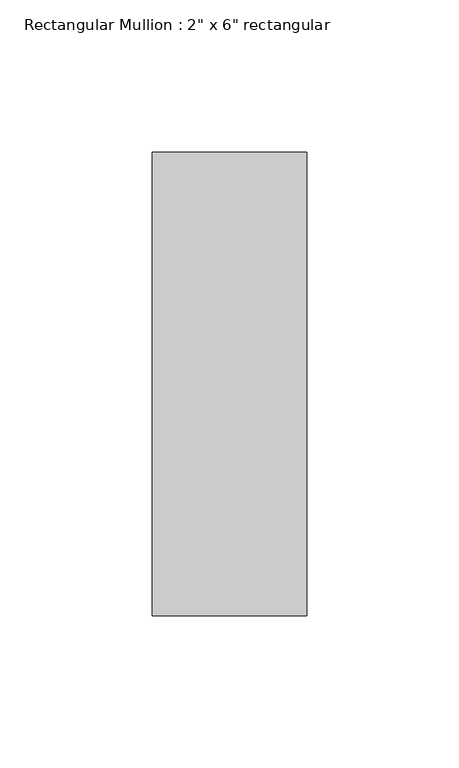
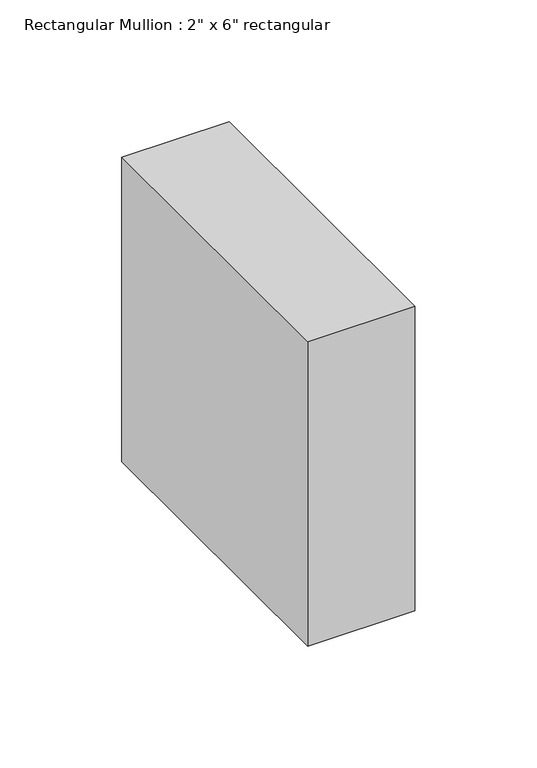
"""IFC4 building model written with IfcOpenShell, lengths in millimetres: member geometry."""

import ifcopenshell
import ifcopenshell.guid

model = None  # the IFC model being written
_history = None  # IfcOwnerHistory: only IFC2X3 demands one
_inside = {}  # id of a spatial element -> (the spatial element, [elements in it])
_under = {}  # id of a project, library or spatial element -> (it, [spatial elements below it])
_declared = {}  # id of a project -> (the project, [libraries it declares])
_typed = {}  # id of a type object -> (the type object, [elements of that type])
_made_of = {}  # id of a material, layer set ... -> (it, [elements and type objects made of it])


def new_model(schema):
    """Start an empty IFC model of exactly this schema.

    Asked for "IFC4X3", IfcOpenShell would pick the latest addendum, in which some entities
    have other attributes; the version numbers below select the first issue.
    IFC2X3 requires an IfcOwnerHistory on every rooted entity: one is made here for all.
    """
    global model, _history
    if schema == "IFC4X3":
        model = ifcopenshell.file(schema_version=(4, 3, 0, 0))
    else:
        model = ifcopenshell.file(schema=schema)
    _inside.clear()
    _under.clear()
    _declared.clear()
    _typed.clear()
    _made_of.clear()
    _history = None
    if model.schema == "IFC2X3":
        org = make("IfcOrganization", Name="unknown")
        user = make(
            "IfcPersonAndOrganization",
            ThePerson=make("IfcPerson", FamilyName="unknown"),
            TheOrganization=org,
        )
        app = make(
            "IfcApplication",
            ApplicationDeveloper=org,
            Version="unknown",
            ApplicationFullName="unknown",
            ApplicationIdentifier="unknown",
        )
        _history = make(
            "IfcOwnerHistory",
            OwningUser=user,
            OwningApplication=app,
            ChangeAction="ADDED",
            CreationDate=0,
        )
    return model


def make(cls, **values):
    """One entity of the class cls with the attributes given. An attribute that is None is left unset."""
    return model.create_entity(
        cls, **{name: value for name, value in values.items() if value is not None}
    )


def rooted(cls, **values):
    """An entity with a GlobalId (a new one), such as an element, a storey or a relation."""
    return make(cls, GlobalId=ifcopenshell.guid.new(), OwnerHistory=_history, **values)


def si_unit(unit_type, name, prefix=None):
    """IfcSIUnit, for example si_unit("LENGTHUNIT", "METRE", prefix="MILLI")."""
    return make("IfcSIUnit", UnitType=unit_type, Prefix=prefix, Name=name)


def assignment(units):
    """IfcUnitAssignment: the units of a project."""
    return None if units is None else make("IfcUnitAssignment", Units=units)


def point(xyz):
    """IfcCartesianPoint."""
    return None if xyz is None else make("IfcCartesianPoint", Coordinates=xyz)


def direction(xyz):
    """IfcDirection."""
    return None if xyz is None else make("IfcDirection", DirectionRatios=xyz)


def frame(location, z_axis=None, x_axis=None):
    """IfcAxis2Placement3D, a coordinate frame: its origin and axes. An axis left out is left unset."""
    return make(
        "IfcAxis2Placement3D",
        Location=point(location),
        Axis=direction(z_axis),
        RefDirection=direction(x_axis),
    )


def origin():
    """The frame at (0, 0, 0) with its axes left unset."""
    return frame((0.0, 0.0, 0.0))


def place(relative_to, where):
    """IfcLocalPlacement: puts the frame where relative to a parent placement (None: the world)."""
    return make(
        "IfcLocalPlacement", PlacementRelTo=relative_to, RelativePlacement=where
    )


def context(
    kind, dimensions, precision=None, world=None, true_north=None, identifier=None
):
    """IfcGeometricRepresentationContext, for example the 3D "Model" context."""
    return make(
        "IfcGeometricRepresentationContext",
        ContextIdentifier=identifier,
        ContextType=kind,
        CoordinateSpaceDimension=dimensions,
        Precision=precision,
        WorldCoordinateSystem=world,
        TrueNorth=true_north,
    )


def project(units=None, contexts=None):
    """IfcProject with its units and contexts."""
    return rooted(
        "IfcProject",
        Name="project",
        RepresentationContexts=contexts,
        UnitsInContext=assignment(units),
    )


def spatial(cls, under=None, at=None, **own):
    """A site, building, storey or space (cls), placed at a placement, below another one or the project."""
    s = rooted(cls, ObjectPlacement=at, **own)
    if under is not None:
        _under.setdefault(under.id(), (under, []))[1].append(s)
    return s


def polyline(points):
    """IfcPolyline through the points."""
    return make("IfcPolyline", Points=[point(p) for p in points])


def outline(outer, holes=None, kind="AREA"):
    """IfcArbitraryClosedProfileDef: a profile drawn as a closed curve; with holes, ...WithVoids."""
    if holes is None:
        return make("IfcArbitraryClosedProfileDef", ProfileType=kind, OuterCurve=outer)
    return make(
        "IfcArbitraryProfileDefWithVoids",
        ProfileType=kind,
        OuterCurve=outer,
        InnerCurves=holes,
    )


def extrude(swept, where, along, depth):
    """IfcExtrudedAreaSolid: the profile swept, set in the frame where, extruded along a direction by depth."""
    return make(
        "IfcExtrudedAreaSolid",
        SweptArea=swept,
        Position=where,
        ExtrudedDirection=direction(along),
        Depth=depth,
    )


def shape(context_of_items, identifier, shape_type, items):
    """IfcShapeRepresentation: the items that make up one representation, for example the "Body"."""
    return make(
        "IfcShapeRepresentation",
        ContextOfItems=context_of_items,
        RepresentationIdentifier=identifier,
        RepresentationType=shape_type,
        Items=items,
    )


def source(mapping_origin, context_of_items, identifier, shape_type, items):
    """IfcRepresentationMap: a shape defined once, which mapped items show again and again."""
    return make(
        "IfcRepresentationMap",
        MappingOrigin=mapping_origin,
        MappedRepresentation=shape(context_of_items, identifier, shape_type, items),
    )


def transform(
    local_origin,
    x_axis=None,
    y_axis=None,
    z_axis=None,
    scale=None,
    scale2=None,
    scale3=None,
    uniform=True,
):
    """IfcCartesianTransformationOperator3D, or its non-uniform kind. x_axis, y_axis, z_axis: its Axis1, 2, 3."""
    if uniform:
        return make(
            "IfcCartesianTransformationOperator3D",
            Axis1=direction(x_axis),
            Axis2=direction(y_axis),
            LocalOrigin=point(local_origin),
            Scale=scale,
            Axis3=direction(z_axis),
        )
    return make(
        "IfcCartesianTransformationOperator3DnonUniform",
        Axis1=direction(x_axis),
        Axis2=direction(y_axis),
        LocalOrigin=point(local_origin),
        Scale=scale,
        Axis3=direction(z_axis),
        Scale2=scale2,
        Scale3=scale3,
    )


def mapped(mapping_source, mapping_target):
    """IfcMappedItem: shows the shape of a source again, moved by a transform."""
    return make(
        "IfcMappedItem", MappingSource=mapping_source, MappingTarget=mapping_target
    )


def made_of(thing, what):
    """Note that an element or type object is made of a material, layer set ...; save() writes the relation."""
    if what is not None:
        _made_of.setdefault(what.id(), (what, []))[1].append(thing)
    return thing


def element(
    cls,
    number,
    at=None,
    inside=None,
    cuts=None,
    type_object=None,
    material=None,
    context=None,
    identifier="Body",
    shape_type=None,
    held_by="IfcProductDefinitionShape",
    body=None,
    shapes=None,
    **own,
):
    """One element of the class cls, such as IfcWall. Its Tag is "e" and its number.

    at: its placement. inside: the storey or other place that contains it. cuts: it is an
    opening in that element (IfcRelVoidsElement). A single representation is given by context,
    identifier, shape_type and body (its items); several are given by shapes. held_by: the class
    of the entity that holds the representations. save() writes the other relations.
    """
    e = rooted(cls, Tag="e%d" % number, ObjectPlacement=at, **own)
    if body is not None:
        shapes = [shape(context, identifier, shape_type, body)]
    if shapes is not None:
        e.Representation = make(held_by, Representations=shapes)
    if inside is not None:
        _inside.setdefault(inside.id(), (inside, []))[1].append(e)
    if cuts is not None:
        rooted(
            "IfcRelVoidsElement", RelatingBuildingElement=cuts, RelatedOpeningElement=e
        )
    if type_object is not None:
        _typed.setdefault(type_object.id(), (type_object, []))[1].append(e)
    return made_of(e, material)


def aggregate(whole, parts):
    """IfcRelAggregates: a whole, such as a stair, and the parts it consists of."""
    return rooted("IfcRelAggregates", RelatingObject=whole, RelatedObjects=parts)


def save(model, path):
    """Write the relations noted so far, then the file.

    IfcRelAggregates (storeys below a building ...), IfcRelContainedInSpatialStructure (elements
    in a storey), IfcRelDefinesByType, IfcRelAssociatesMaterial and IfcRelDeclares: one each for
    every whole, place, type object, material and project.
    """
    for whole, parts in _under.values():
        aggregate(whole, parts)
    for where, things in _inside.values():
        rooted(
            "IfcRelContainedInSpatialStructure",
            RelatedElements=things,
            RelatingStructure=where,
        )
    for kind, things in _typed.values():
        rooted("IfcRelDefinesByType", RelatedObjects=things, RelatingType=kind)
    for what, things in _made_of.values():
        rooted("IfcRelAssociatesMaterial", RelatedObjects=things, RelatingMaterial=what)
    for by, libraries in _declared.values():
        rooted("IfcRelDeclares", RelatingContext=by, RelatedDefinitions=libraries)
    model.write(path)


def member_4ec533b7(model_context):
    return source(origin(), model_context, "Body", "SweptSolid", [
        extrude(outline(polyline([(0.0, 76.2), (0.0, -76.2), (-50.8, -76.2), (-50.8, 76.2), (0.0, 76.2)])), frame((0.0, 0.0, -152.4), z_axis=(0.0, 0.0, 1.0), x_axis=(1.0, 0.0, 0.0)), (0.0, 0.0, 1.0), 152.4),
    ])


if __name__ == "__main__":
    model = new_model("IFC4")
    model_context = context("Model", 3, world=origin())
    ifc_project = project(units=[si_unit("LENGTHUNIT", "METRE", prefix="MILLI")], contexts=[model_context])
    site = spatial("IfcSite", under=ifc_project)
    building = spatial("IfcBuilding", under=site)
    placement = place(None, origin())
    member_shape = member_4ec533b7(model_context)
    element("IfcMember", 1, ObjectType="Rectangular Mullion : 2\" x 6\" rectangular", at=placement, inside=building, context=model_context, shape_type="MappedRepresentation", body=[
        mapped(member_shape, transform((0.0, 0.0, 0.0), x_axis=(1.0, 0.0, 0.0), y_axis=(0.0, 1.0, 0.0), z_axis=(0.0, 0.0, 1.0))),
    ])
    save(model, "model.ifc")
